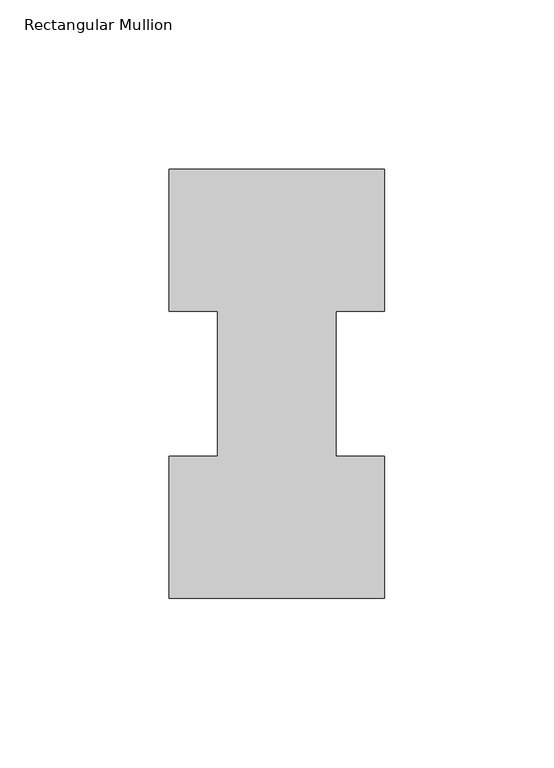
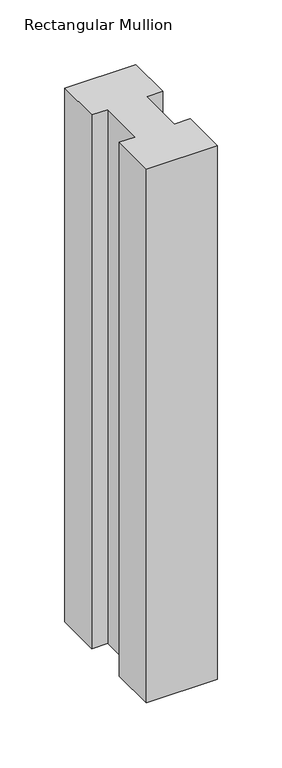
"""IFC4 building model written with IfcOpenShell, lengths in millimetres: member geometry, Rectangular Mullion."""

from ifc_helpers import new_model, si_unit, frame, origin, place, context, project, spatial, polyline, outline, extrude, source, transform, mapped, element, save


def rectangular_mullion_7d063df3(model_context):
    return source(origin(), model_context, "Body", "SweptSolid", [
        extrude(outline(polyline([(-63.5, -0.0373063), (-63.5, 41.7837937), (-49.2125, 41.7837937), (-49.2125, 84.6335938), (-63.5, 84.6335938), (-63.5, 126.4546937), (0.0, 126.4546937), (0.0, 84.6335938), (-14.2748, 84.6335938), (-14.2748, 41.7837937), (0.0, 41.7837937), (0.0, -0.0373063), (-63.5, -0.0373063)])), frame((0.0, 0.0, -504.79325), z_axis=(0.0, 0.0, 1.0), x_axis=(1.0, 0.0, 0.0)), (0.0, 0.0, 1.0), 504.79325),
    ])


if __name__ == "__main__":
    model = new_model("IFC4")
    model_context = context("Model", 3, world=origin())
    ifc_project = project(units=[si_unit("LENGTHUNIT", "METRE", prefix="MILLI")], contexts=[model_context])
    site = spatial("IfcSite", under=ifc_project)
    building = spatial("IfcBuilding", under=site)
    placement = place(None, origin())
    rectangular_mullion_shape = rectangular_mullion_7d063df3(model_context)
    element("IfcMember", 1, ObjectType="Rectangular Mullion", at=placement, inside=building, context=model_context, shape_type="MappedRepresentation", body=[
        mapped(rectangular_mullion_shape, transform((0.0, 0.0, 0.0), x_axis=(1.0, 0.0, 0.0), y_axis=(0.0, 1.0, 0.0), z_axis=(0.0, 0.0, 1.0))),
    ])
    save(model, "model.ifc")
